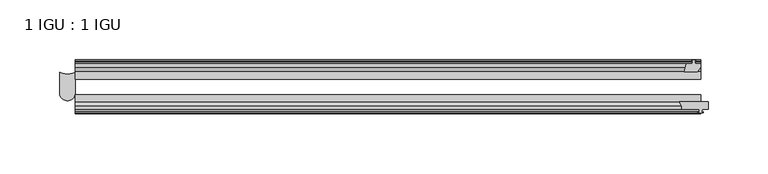
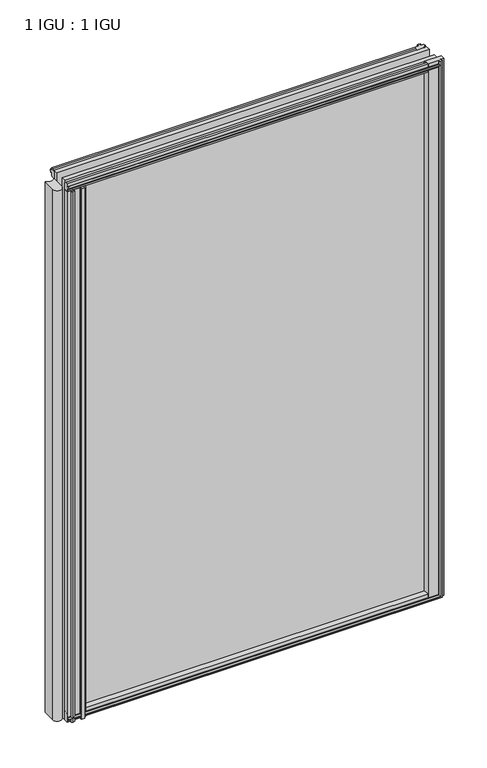
"""IFC4 building model written with IfcOpenShell, lengths in millimetres: plate geometry, 1 IGU : 1 IGU."""

import ifcopenshell
import ifcopenshell.guid

model = None  # the IFC model being written
_history = None  # IfcOwnerHistory: only IFC2X3 demands one
_inside = {}  # id of a spatial element -> (the spatial element, [elements in it])
_under = {}  # id of a project, library or spatial element -> (it, [spatial elements below it])
_declared = {}  # id of a project -> (the project, [libraries it declares])
_typed = {}  # id of a type object -> (the type object, [elements of that type])
_made_of = {}  # id of a material, layer set ... -> (it, [elements and type objects made of it])


def new_model(schema):
    """Start an empty IFC model of exactly this schema.

    Asked for "IFC4X3", IfcOpenShell would pick the latest addendum, in which some entities
    have other attributes; the version numbers below select the first issue.
    IFC2X3 requires an IfcOwnerHistory on every rooted entity: one is made here for all.
    """
    global model, _history
    if schema == "IFC4X3":
        model = ifcopenshell.file(schema_version=(4, 3, 0, 0))
    else:
        model = ifcopenshell.file(schema=schema)
    _inside.clear()
    _under.clear()
    _declared.clear()
    _typed.clear()
    _made_of.clear()
    _history = None
    if model.schema == "IFC2X3":
        org = make("IfcOrganization", Name="unknown")
        user = make(
            "IfcPersonAndOrganization",
            ThePerson=make("IfcPerson", FamilyName="unknown"),
            TheOrganization=org,
        )
        app = make(
            "IfcApplication",
            ApplicationDeveloper=org,
            Version="unknown",
            ApplicationFullName="unknown",
            ApplicationIdentifier="unknown",
        )
        _history = make(
            "IfcOwnerHistory",
            OwningUser=user,
            OwningApplication=app,
            ChangeAction="ADDED",
            CreationDate=0,
        )
    return model


def make(cls, **values):
    """One entity of the class cls with the attributes given. An attribute that is None is left unset."""
    return model.create_entity(
        cls, **{name: value for name, value in values.items() if value is not None}
    )


def rooted(cls, **values):
    """An entity with a GlobalId (a new one), such as an element, a storey or a relation."""
    return make(cls, GlobalId=ifcopenshell.guid.new(), OwnerHistory=_history, **values)


def si_unit(unit_type, name, prefix=None):
    """IfcSIUnit, for example si_unit("LENGTHUNIT", "METRE", prefix="MILLI")."""
    return make("IfcSIUnit", UnitType=unit_type, Prefix=prefix, Name=name)


def assignment(units):
    """IfcUnitAssignment: the units of a project."""
    return None if units is None else make("IfcUnitAssignment", Units=units)


def point(xyz):
    """IfcCartesianPoint."""
    return None if xyz is None else make("IfcCartesianPoint", Coordinates=xyz)


def direction(xyz):
    """IfcDirection."""
    return None if xyz is None else make("IfcDirection", DirectionRatios=xyz)


def frame(location, z_axis=None, x_axis=None):
    """IfcAxis2Placement3D, a coordinate frame: its origin and axes. An axis left out is left unset."""
    return make(
        "IfcAxis2Placement3D",
        Location=point(location),
        Axis=direction(z_axis),
        RefDirection=direction(x_axis),
    )


def frame_2d(location, x_axis=None):
    """IfcAxis2Placement2D, a coordinate frame in the plane: its origin and x axis."""
    return make(
        "IfcAxis2Placement2D", Location=point(location), RefDirection=direction(x_axis)
    )


def origin():
    """The frame at (0, 0, 0) with its axes left unset."""
    return frame((0.0, 0.0, 0.0))


def place(relative_to, where):
    """IfcLocalPlacement: puts the frame where relative to a parent placement (None: the world)."""
    return make(
        "IfcLocalPlacement", PlacementRelTo=relative_to, RelativePlacement=where
    )


def context(
    kind, dimensions, precision=None, world=None, true_north=None, identifier=None
):
    """IfcGeometricRepresentationContext, for example the 3D "Model" context."""
    return make(
        "IfcGeometricRepresentationContext",
        ContextIdentifier=identifier,
        ContextType=kind,
        CoordinateSpaceDimension=dimensions,
        Precision=precision,
        WorldCoordinateSystem=world,
        TrueNorth=true_north,
    )


def project(units=None, contexts=None):
    """IfcProject with its units and contexts."""
    return rooted(
        "IfcProject",
        Name="project",
        RepresentationContexts=contexts,
        UnitsInContext=assignment(units),
    )


def spatial(cls, under=None, at=None, **own):
    """A site, building, storey or space (cls), placed at a placement, below another one or the project."""
    s = rooted(cls, ObjectPlacement=at, **own)
    if under is not None:
        _under.setdefault(under.id(), (under, []))[1].append(s)
    return s


def polyline(points):
    """IfcPolyline through the points."""
    return make("IfcPolyline", Points=[point(p) for p in points])


def circle_curve(where, radius):
    """IfcCircle in the frame where."""
    return make("IfcCircle", Position=where, Radius=radius)


def trimmed(basis, trim1, trim2, sense, master):
    """IfcTrimmedCurve: the piece of a basis curve between two trims."""
    return make(
        "IfcTrimmedCurve",
        BasisCurve=basis,
        Trim1=trim1,
        Trim2=trim2,
        SenseAgreement=sense,
        MasterRepresentation=master,
    )


def segment(curve, same_sense, transition):
    """IfcCompositeCurveSegment."""
    return make(
        "IfcCompositeCurveSegment",
        Transition=transition,
        SameSense=same_sense,
        ParentCurve=curve,
    )


def composite_curve(segments, self_intersect=None):
    """IfcCompositeCurve: segments joined end to end."""
    return make("IfcCompositeCurve", Segments=segments, SelfIntersect=self_intersect)


def outline(outer, holes=None, kind="AREA"):
    """IfcArbitraryClosedProfileDef: a profile drawn as a closed curve; with holes, ...WithVoids."""
    if holes is None:
        return make("IfcArbitraryClosedProfileDef", ProfileType=kind, OuterCurve=outer)
    return make(
        "IfcArbitraryProfileDefWithVoids",
        ProfileType=kind,
        OuterCurve=outer,
        InnerCurves=holes,
    )


def extrude(swept, where, along, depth):
    """IfcExtrudedAreaSolid: the profile swept, set in the frame where, extruded along a direction by depth."""
    return make(
        "IfcExtrudedAreaSolid",
        SweptArea=swept,
        Position=where,
        ExtrudedDirection=direction(along),
        Depth=depth,
    )


def shape(context_of_items, identifier, shape_type, items):
    """IfcShapeRepresentation: the items that make up one representation, for example the "Body"."""
    return make(
        "IfcShapeRepresentation",
        ContextOfItems=context_of_items,
        RepresentationIdentifier=identifier,
        RepresentationType=shape_type,
        Items=items,
    )


def source(mapping_origin, context_of_items, identifier, shape_type, items):
    """IfcRepresentationMap: a shape defined once, which mapped items show again and again."""
    return make(
        "IfcRepresentationMap",
        MappingOrigin=mapping_origin,
        MappedRepresentation=shape(context_of_items, identifier, shape_type, items),
    )


def transform(
    local_origin,
    x_axis=None,
    y_axis=None,
    z_axis=None,
    scale=None,
    scale2=None,
    scale3=None,
    uniform=True,
):
    """IfcCartesianTransformationOperator3D, or its non-uniform kind. x_axis, y_axis, z_axis: its Axis1, 2, 3."""
    if uniform:
        return make(
            "IfcCartesianTransformationOperator3D",
            Axis1=direction(x_axis),
            Axis2=direction(y_axis),
            LocalOrigin=point(local_origin),
            Scale=scale,
            Axis3=direction(z_axis),
        )
    return make(
        "IfcCartesianTransformationOperator3DnonUniform",
        Axis1=direction(x_axis),
        Axis2=direction(y_axis),
        LocalOrigin=point(local_origin),
        Scale=scale,
        Axis3=direction(z_axis),
        Scale2=scale2,
        Scale3=scale3,
    )


def mapped(mapping_source, mapping_target):
    """IfcMappedItem: shows the shape of a source again, moved by a transform."""
    return make(
        "IfcMappedItem", MappingSource=mapping_source, MappingTarget=mapping_target
    )


def made_of(thing, what):
    """Note that an element or type object is made of a material, layer set ...; save() writes the relation."""
    if what is not None:
        _made_of.setdefault(what.id(), (what, []))[1].append(thing)
    return thing


def element(
    cls,
    number,
    at=None,
    inside=None,
    cuts=None,
    type_object=None,
    material=None,
    context=None,
    identifier="Body",
    shape_type=None,
    held_by="IfcProductDefinitionShape",
    body=None,
    shapes=None,
    **own,
):
    """One element of the class cls, such as IfcWall. Its Tag is "e" and its number.

    at: its placement. inside: the storey or other place that contains it. cuts: it is an
    opening in that element (IfcRelVoidsElement). A single representation is given by context,
    identifier, shape_type and body (its items); several are given by shapes. held_by: the class
    of the entity that holds the representations. save() writes the other relations.
    """
    e = rooted(cls, Tag="e%d" % number, ObjectPlacement=at, **own)
    if body is not None:
        shapes = [shape(context, identifier, shape_type, body)]
    if shapes is not None:
        e.Representation = make(held_by, Representations=shapes)
    if inside is not None:
        _inside.setdefault(inside.id(), (inside, []))[1].append(e)
    if cuts is not None:
        rooted(
            "IfcRelVoidsElement", RelatingBuildingElement=cuts, RelatedOpeningElement=e
        )
    if type_object is not None:
        _typed.setdefault(type_object.id(), (type_object, []))[1].append(e)
    return made_of(e, material)


def aggregate(whole, parts):
    """IfcRelAggregates: a whole, such as a stair, and the parts it consists of."""
    return rooted("IfcRelAggregates", RelatingObject=whole, RelatedObjects=parts)


def save(model, path):
    """Write the relations noted so far, then the file.

    IfcRelAggregates (storeys below a building ...), IfcRelContainedInSpatialStructure (elements
    in a storey), IfcRelDefinesByType, IfcRelAssociatesMaterial and IfcRelDeclares: one each for
    every whole, place, type object, material and project.
    """
    for whole, parts in _under.values():
        aggregate(whole, parts)
    for where, things in _inside.values():
        rooted(
            "IfcRelContainedInSpatialStructure",
            RelatedElements=things,
            RelatingStructure=where,
        )
    for kind, things in _typed.values():
        rooted("IfcRelDefinesByType", RelatedObjects=things, RelatingType=kind)
    for what, things in _made_of.values():
        rooted("IfcRelAssociatesMaterial", RelatedObjects=things, RelatingMaterial=what)
    for by, libraries in _declared.values():
        rooted("IfcRelDeclares", RelatingContext=by, RelatedDefinitions=libraries)
    model.write(path)


def plate_1_igu_1_igu_6a67896f(model_context):
    return source(origin(), model_context, "Body", "SweptSolid", [
        extrude(outline(polyline([(296.9757334, -10.4746158), (299.1532625, -9.7670938), (301.3307916, -10.4746158), (301.3307916, -11.27583), (299.9152625, -10.8158968), (300.2962625, -13.1960938), (304.7412625, -13.1960938), (304.7412625, -16.1424938), (301.9069203, -19.5460938), (291.0855444, -19.5460938), (292.8032625, -13.1960938), (298.0102625, -13.1960938), (298.3912625, -10.8158968), (296.9757334, -11.27583), (296.9757334, -10.4746158)])), frame((0.0, 0.0, -12.4587), z_axis=(0.0, 0.0, 1.0), x_axis=(1.0, 0.0, 0.0)), (0.0, 0.0, 1.0), 799.6174),
        extrude(outline(composite_curve([segment(polyline([(287.0458808, -44.9460938), (311.134125, -44.9460938), (311.134125, -51.2960938), (306.054125, -51.2960938), (305.736625, -53.4006957), (306.9552309, -53.0741712), (307.159025, -53.8347412), (304.784125, -54.4710938), (302.409225, -53.8347412), (302.6130191, -53.0741712), (303.831625, -53.4006957), (303.514125, -51.2960938), (288.909125, -51.2960938)]), True, "CONTINUOUS"), segment(trimmed(circle_curve(frame_2d((280.1334971, -50.4227155)), 8.8189814), [point((288.909125, -51.2960938))], [point((287.0458808, -44.9460938))], True, "CARTESIAN"), True, "CONTINUOUS")], self_intersect=False)), frame((0.0, 0.0, -9.0482291), z_axis=(0.0, 0.0, 1.0), x_axis=(1.0, 0.0, 0.0)), (0.0, 0.0, 1.0), 796.2069291),
        extrude(outline(composite_curve([segment(trimmed(circle_curve(frame_2d((-224.4718282, -9.6643371)), 12.1582346), [point((-230.8319058, -20.0263871))], [point((-218.1117506, -20.0263871))], True, "CARTESIAN"), True, "CONTINUOUS"), segment(polyline([(-218.1117506, -20.0263871), (-218.1117506, -37.7227655)]), True, "CONTINUOUS"), segment(trimmed(circle_curve(frame_2d((-224.4718282, -37.7227655)), 6.3600776), [point((-218.1117506, -37.7227655))], [point((-230.8319058, -37.7227655))], False, "CARTESIAN"), True, "CONTINUOUS"), segment(polyline([(-230.8319058, -37.7227655), (-230.8319058, -20.0263871)]), True, "CONTINUOUS")], self_intersect=False)), frame((0.0, 0.0, -12.4587), z_axis=(0.0, 0.0, 1.0), x_axis=(1.0, 0.0, 0.0)), (0.0, 0.0, 1.0), 786.9174),
        extrude(outline(composite_curve([segment(polyline([(-218.0617444, -51.2960938), (-218.0617444, -44.9460938), (-190.4467114, -44.9460938)]), True, "CONTINUOUS"), segment(trimmed(circle_curve(frame_2d((-185.2828423, -49.5178448)), 6.8968436), [point((-190.4467114, -44.9460938))], [point((-191.9464962, -51.2960938))], True, "CARTESIAN"), True, "CONTINUOUS"), segment(polyline([(-191.9464962, -51.2960938), (-195.8621444, -51.2960938)]), True, "CONTINUOUS"), segment(trimmed(circle_curve(frame_2d((-195.8621444, -51.7532937)), 0.4572), [point((-195.8621444, -51.2960938))], [point((-196.2009623, -52.0602698))], True, "CARTESIAN"), True, "CONTINUOUS"), segment(trimmed(circle_curve(frame_2d((-197.9703444, -53.663367)), 2.3876), [point((-196.2009623, -52.0602698))], [point((-195.8997014, -54.8520938))], False, "CARTESIAN"), True, "CONTINUOUS"), segment(polyline([(-195.8997014, -54.8520938), (-200.0409874, -54.8520938)]), True, "CONTINUOUS"), segment(trimmed(circle_curve(frame_2d((-197.9703444, -53.663367)), 2.3876), [point((-200.0409874, -54.8520938))], [point((-199.7397265, -52.0602698))], False, "CARTESIAN"), True, "CONTINUOUS"), segment(trimmed(circle_curve(frame_2d((-200.0785444, -51.7532937)), 0.4572), [point((-199.7397265, -52.0602698))], [point((-200.0785444, -51.2960938))], True, "CARTESIAN"), True, "CONTINUOUS"), segment(polyline([(-200.0785444, -51.2960938), (-210.4417444, -51.2960938), (-210.7592444, -53.4006957), (-209.5406385, -53.0741712), (-209.3368444, -53.8347412), (-211.7117444, -54.4710938), (-214.0866444, -53.8347412), (-213.8828503, -53.0741712), (-212.6642444, -53.4006957), (-212.9817444, -51.2960938), (-218.0617444, -51.2960938)]), True, "CONTINUOUS")], self_intersect=False)), frame((0.0, 0.0, -12.4587), z_axis=(0.0, 0.0, 1.0), x_axis=(1.0, 0.0, 0.0)), (0.0, 0.0, 1.0), 786.9174),
        extrude(outline(polyline([(-10.4746158, -4.6931709), (-9.7670937, -6.8707), (-10.4746158, -9.0482291), (-11.27583, -9.0482291), (-10.8158968, -7.6327), (-13.1960937, -8.0137), (-13.1960937, -12.4587), (-16.1424937, -12.4587), (-19.5460937, -9.6243578), (-19.5460937, 1.1970181), (-13.1960937, -0.5207), (-13.1960937, -5.7277), (-10.8158968, -6.1087), (-11.27583, -4.6931709), (-10.4746158, -4.6931709)])), frame((-218.0669375, 0.0, 0.0), z_axis=(1.0, 0.0, 0.0), x_axis=(0.0, 1.0, 0.0)), (0.0, 0.0, 1.0), 522.8510625),
        extrude(outline(polyline([(-44.9460937, 1.7177181), (-44.9460937, -9.1036578), (-48.3496937, -11.938), (-51.2960937, -11.938), (-51.2960937, -7.493), (-53.6762907, -7.112), (-53.2163575, -8.5275291), (-54.0175717, -8.5275291), (-54.7250937, -6.35), (-54.0175717, -4.1724709), (-53.2163575, -4.1724709), (-53.6762907, -5.588), (-51.2960937, -5.207), (-51.2960937, 0.0), (-44.9460937, 1.7177181)])), frame((-218.0669375, 0.0, 0.0), z_axis=(1.0, 0.0, 0.0), x_axis=(0.0, 1.0, 0.0)), (0.0, 0.0, 1.0), 522.8510625),
        extrude(outline(polyline([(-10.8158968, 782.3327), (-11.27583, 783.7482291), (-10.4746158, 783.7482291), (-9.7670937, 781.5707), (-10.4746158, 779.3931709), (-11.27583, 779.3931709), (-10.8158968, 780.8087), (-13.1960937, 780.4277), (-13.1960937, 775.2207), (-19.5460938, 773.5029819), (-19.5460938, 784.3243578), (-16.1424937, 787.1587), (-13.1960937, 787.1587), (-13.1960937, 782.7137), (-10.8158968, 782.3327)])), frame((-218.0669375, 0.0, 0.0), z_axis=(1.0, 0.0, 0.0), x_axis=(0.0, 1.0, 0.0)), (0.0, 0.0, 1.0), 522.8510625),
        extrude(outline(polyline([(-51.2960937, 786.638), (-48.3496937, 786.638), (-44.9460938, 783.8036578), (-44.9460938, 772.9822819), (-51.2960937, 774.7), (-51.2960937, 779.907), (-53.6762907, 780.288), (-53.2163575, 778.8724709), (-54.0175717, 778.8724709), (-54.7250937, 781.05), (-54.0175717, 783.2275291), (-53.2163575, 783.2275291), (-53.6762907, 781.812), (-51.2960937, 782.193), (-51.2960937, 786.638)])), frame((-218.0669375, 0.0, 0.0), z_axis=(1.0, 0.0, 0.0), x_axis=(0.0, 1.0, 0.0)), (0.0, 0.0, 1.0), 522.8510625),
        extrude(outline(polyline([(-218.0669375, -38.9186738), (304.784125, -38.9186738), (304.784125, -44.9460937), (-218.0669375, -44.9460937), (-218.0669375, -38.9186738)])), frame((0.0, 0.0, -12.7), z_axis=(0.0, 0.0, 1.0), x_axis=(1.0, 0.0, 0.0)), (0.0, 0.0, 1.0), 800.1),
        extrude(outline(polyline([(-218.0669375, -19.5460937), (304.784125, -19.5460937), (304.784125, -25.8960938), (-218.0669375, -25.8960938), (-218.0669375, -19.5460937)])), frame((0.0, 0.0, -12.7), z_axis=(0.0, 0.0, 1.0), x_axis=(1.0, 0.0, 0.0)), (0.0, 0.0, 1.0), 800.1),
    ])


if __name__ == "__main__":
    model = new_model("IFC4")
    model_context = context("Model", 3, world=origin())
    ifc_project = project(units=[si_unit("LENGTHUNIT", "METRE", prefix="MILLI")], contexts=[model_context])
    site = spatial("IfcSite", under=ifc_project)
    building = spatial("IfcBuilding", under=site)
    placement = place(None, origin())
    plate_1_igu_1_igu_shape = plate_1_igu_1_igu_6a67896f(model_context)
    element("IfcPlate", 1, ObjectType="1 IGU : 1 IGU", at=placement, inside=building, context=model_context, shape_type="MappedRepresentation", body=[
        mapped(plate_1_igu_1_igu_shape, transform((0.0, 0.0, 0.0), x_axis=(1.0, 0.0, 0.0), y_axis=(0.0, 1.0, 0.0), z_axis=(0.0, 0.0, 1.0))),
    ])
    save(model, "model.ifc")
